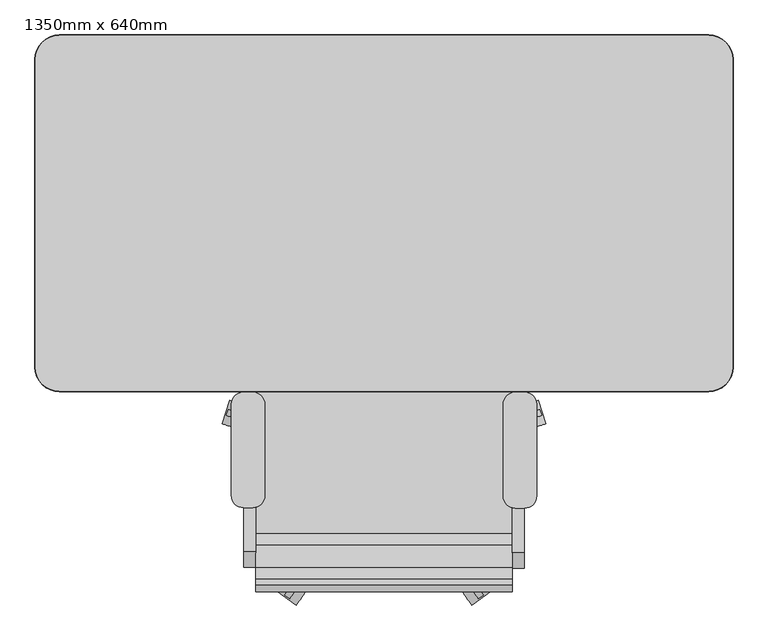
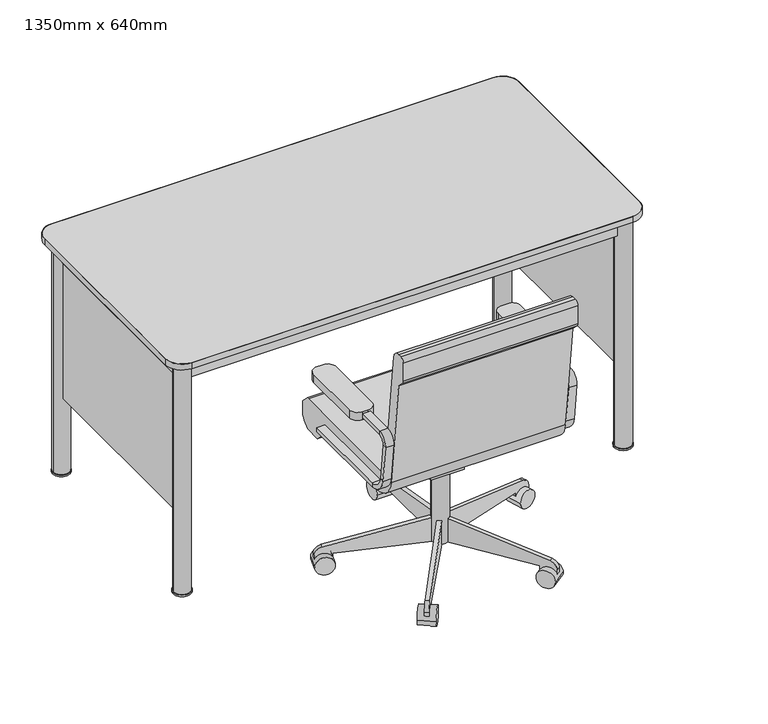
"""IFC4 building model written with IfcOpenShell, lengths in millimetres: furniture geometry, 1350mm x 640mm."""

from ifc_helpers import new_model, si_unit, point, frame, frame_2d, origin, origin_with_axes, place, context, project, spatial, polyline, circle_curve, trimmed, segment, composite_curve, outline, extrude, source, transform, mapped, element, save
from ifc_brep_helpers import plane_surface, cylinder_surface, revolved_surface, advanced_brep


def furniture_1350mm_x_640mm_878df250(model_context):
    return source(origin(), model_context, "Body", "SolidModel", [
        extrude(outline(composite_curve([segment(polyline([(292.1, -643.1487065), (273.05, -643.1487065)]), True, "CONTINUOUS"), segment(trimmed(circle_curve(frame_2d((273.05, -617.7487065)), 25.4), [point((273.05, -643.1487065))], [point((247.65, -617.7487065))], False, "CARTESIAN"), True, "CONTINUOUS"), segment(polyline([(247.65, -617.7487065), (247.65, -427.3139925)]), True, "CONTINUOUS"), segment(trimmed(circle_curve(frame_2d((273.05, -427.3139925)), 25.4), [point((247.65, -427.3139925))], [point((273.05, -401.9139925))], False, "CARTESIAN"), True, "CONTINUOUS"), segment(polyline([(273.05, -401.9139925), (292.1, -401.9139925)]), True, "CONTINUOUS"), segment(trimmed(circle_curve(frame_2d((292.1, -427.3139925)), 25.4), [point((292.1, -401.9139925))], [point((317.5, -427.3139925))], False, "CARTESIAN"), True, "CONTINUOUS"), segment(polyline([(317.5, -427.3139925), (317.5, -617.7487065)]), True, "CONTINUOUS"), segment(trimmed(circle_curve(frame_2d((292.1, -617.7487065)), 25.4), [point((317.5, -617.7487065))], [point((292.1, -643.1487065))], False, "CARTESIAN"), True, "CONTINUOUS")], self_intersect=False)), frame((0.0, 0.0, 596.9), z_axis=(0.0, 0.0, 1.0), x_axis=(1.0, 0.0, 0.0)), (0.0, 0.0, 1.0), 25.4),
        extrude(outline(composite_curve([segment(polyline([(-273.05, -642.1035), (-292.1, -642.1035)]), True, "CONTINUOUS"), segment(trimmed(circle_curve(frame_2d((-292.1, -616.7035)), 25.4), [point((-292.1, -642.1035))], [point((-317.5, -616.7035))], False, "CARTESIAN"), True, "CONTINUOUS"), segment(polyline([(-317.5, -616.7035), (-317.5, -427.3139925)]), True, "CONTINUOUS"), segment(trimmed(circle_curve(frame_2d((-292.1, -427.3139925)), 25.4), [point((-317.5, -427.3139925))], [point((-292.1, -401.9139925))], False, "CARTESIAN"), True, "CONTINUOUS"), segment(polyline([(-292.1, -401.9139925), (-273.05, -401.9139925)]), True, "CONTINUOUS"), segment(trimmed(circle_curve(frame_2d((-273.05, -427.3139925)), 25.4), [point((-273.05, -401.9139925))], [point((-247.65, -427.3139925))], False, "CARTESIAN"), True, "CONTINUOUS"), segment(polyline([(-247.65, -427.3139925), (-247.65, -616.7035)]), True, "CONTINUOUS"), segment(trimmed(circle_curve(frame_2d((-273.05, -616.7035)), 25.4), [point((-247.65, -616.7035))], [point((-273.05, -642.1035))], False, "CARTESIAN"), True, "CONTINUOUS")], self_intersect=False)), frame((0.0, 0.0, 596.9), z_axis=(0.0, 0.0, 1.0), x_axis=(1.0, 0.0, 0.0)), (0.0, 0.0, 1.0), 25.4),
        advanced_brep(
        [(-292.1, -401.9139925, 412.75), (-292.1, -401.9139925, 425.45), (-266.7, -401.9139925, 425.45), (-266.7, -401.9139925, 412.75), (-292.1, -695.1847667, 412.75), (-292.1, -695.1847667, 425.45), (-266.7, -695.1847667, 425.45), (-266.7, -695.1847667, 412.75), (-292.1, -739.3303111, 464.7064065), (-292.1, -751.9433237, 463.2225227), (-266.7, -739.3303111, 464.7064065), (-266.7, -751.9433237, 463.2225227), (-292.1, -765.7395317, 580.4902904), (-292.1, -753.126519, 581.9741742), (-266.7, -753.126519, 581.9741742), (-266.7, -765.7395317, 580.4902904), (-292.1, -734.207, 603.25), (-292.1, -734.207, 615.95), (-266.7, -734.207, 603.25), (-266.7, -734.207, 615.95), (-292.1, -550.0, 615.95), (-266.7, -550.0, 615.95), (-266.7, -550.0, 603.25), (-292.1, -550.0, 603.25)],
        [
            (0, 1),
            (1, 2),
            (2, 3),
            (3, 0),
            (0, 4),
            (4, 5),
            (5, 1),
            (5, 6),
            (6, 2),
            (6, 7),
            (7, 3),
            (7, 4),
            (8, 5, circle_curve(frame((-292.1, -695.1847667, 469.9), z_axis=(1.0, 0.0, 0.0), x_axis=(0.0, 0.0, -1.0)), 44.45)),
            (4, 9, circle_curve(frame((-292.1, -695.1847667, 469.9), z_axis=(-1.0, 0.0, 0.0), x_axis=(0.0, 0.0, -1.0)), 57.15)),
            (9, 8),
            (10, 6, circle_curve(frame((-266.7, -695.1847667, 469.9), z_axis=(1.0, 0.0, 0.0), x_axis=(0.0, 0.0, -1.0)), 44.45)),
            (8, 10),
            (11, 7, circle_curve(frame((-266.7, -695.1847667, 469.9), z_axis=(1.0, 0.0, 0.0), x_axis=(0.0, 0.0, -1.0)), 57.15)),
            (10, 11),
            (11, 9),
            (9, 12),
            (12, 13),
            (13, 8),
            (13, 14),
            (14, 10),
            (14, 15),
            (15, 11),
            (15, 12),
            (16, 13, circle_curve(frame((-292.1, -734.207, 584.2), z_axis=(1.0, 0.0, 0.0), x_axis=(0.0, -0.9931506043228768, -0.11684124756739202)), 19.05)),
            (12, 17, circle_curve(frame((-292.1, -734.207, 584.2), z_axis=(-1.0, 0.0, 0.0), x_axis=(0.0, -0.9931506043228768, -0.11684124756739202)), 31.75)),
            (17, 16),
            (18, 14, circle_curve(frame((-266.7, -734.207, 584.2), z_axis=(1.0, 0.0, 0.0), x_axis=(0.0, -0.9931506043228768, -0.11684124756739202)), 19.05)),
            (16, 18),
            (19, 15, circle_curve(frame((-266.7, -734.207, 584.2), z_axis=(1.0, 0.0, 0.0), x_axis=(0.0, -0.9931506043228768, -0.11684124756739202)), 31.75)),
            (18, 19),
            (19, 17),
            (20, 21),
            (21, 22),
            (22, 23),
            (23, 20),
            (17, 20),
            (23, 16),
            (22, 18),
            (21, 19),
        ],
        [
            plane_surface(frame((-293.5990317, -401.9139925, 419.1), z_axis=(0.0, 1.0, 0.0), x_axis=(0.0, 0.0, -1.0))),
            plane_surface(frame((-292.1, -401.9139925, 412.75), z_axis=(-1.0, 0.0, 0.0), x_axis=(0.0, -1.0, 0.0))),
            plane_surface(frame((-292.1, -401.9139925, 425.45), z_axis=(0.0, 0.0, 1.0), x_axis=(0.0, -1.0, 0.0))),
            plane_surface(frame((-266.7, -401.9139925, 425.45), z_axis=(1.0, 0.0, 0.0), x_axis=(0.0, -1.0, 0.0))),
            plane_surface(frame((-266.7, -401.9139925, 412.75), z_axis=(0.0, 0.0, -1.0), x_axis=(0.0, -1.0, 0.0))),
            plane_surface(frame((-292.1, -695.1847667, 469.9), z_axis=(-1.0, 0.0, 0.0), x_axis=(0.0, 0.0, -1.0))),
            revolved_surface(polyline([(-292.1, -695.1847667, 425.45), (-266.7, -695.1847667, 425.45)]), (-279.4, -695.1847667, 469.9), (-1.0, 0.0, 0.0)),
            plane_surface(frame((-266.7, -695.1847667, 469.9), z_axis=(1.0, 0.0, 0.0), x_axis=(0.0, 0.0, -1.0))),
            cylinder_surface(frame((-279.4, -695.1847667, 469.9), z_axis=(-1.0, 0.0, 0.0), x_axis=(0.0, 0.0, -1.0)), 57.15),
            plane_surface(frame((-292.1, -751.9433237, 463.2225227), z_axis=(-1.0, 0.0, 0.0), x_axis=(0.0, -0.1168412475673856, 0.9931506043228776))),
            plane_surface(frame((-292.1, -739.3303111, 464.7064065), z_axis=(0.0, 0.9931506043228776, 0.1168412475673856), x_axis=(0.0, -0.1168412475673856, 0.9931506043228776))),
            plane_surface(frame((-266.7, -739.3303111, 464.7064065), z_axis=(1.0, 0.0, 0.0), x_axis=(0.0, -0.1168412475673856, 0.9931506043228776))),
            plane_surface(frame((-266.7, -751.9433237, 463.2225227), z_axis=(0.0, -0.9931506043228776, -0.1168412475673856), x_axis=(0.0, -0.1168412475673856, 0.9931506043228776))),
            plane_surface(frame((-292.1, -734.207, 584.2), z_axis=(-1.0, 0.0, 0.0), x_axis=(0.0, -0.9931506043228768, -0.11684124756739202))),
            revolved_surface(polyline([(-292.1, -753.1265190123509, 581.9741742338413), (-266.7, -753.1265190123509, 581.9741742338413)]), (-279.4, -734.207, 584.2), (-1.0, 0.0, 0.0)),
            plane_surface(frame((-266.7, -734.207, 584.2), z_axis=(1.0, 0.0, 0.0), x_axis=(0.0, -0.9931506043228768, -0.11684124756739202))),
            cylinder_surface(frame((-279.4, -734.207, 584.2), z_axis=(-1.0, 0.0, 0.0), x_axis=(0.0, -0.9931506043228768, -0.11684124756739202)), 31.75),
            plane_surface(frame((-293.5990317, -550.0, 609.6), z_axis=(0.0, 1.0, 0.0), x_axis=(0.0, 0.0, 1.0))),
            plane_surface(frame((-292.1, -734.207, 615.95), z_axis=(-1.0, 0.0, 0.0), x_axis=(0.0, 1.0, 0.0))),
            plane_surface(frame((-292.1, -734.207, 603.25), z_axis=(0.0, 0.0, -1.0), x_axis=(0.0, 1.0, 0.0))),
            plane_surface(frame((-266.7, -734.207, 603.25), z_axis=(1.0, 0.0, 0.0), x_axis=(0.0, 1.0, 0.0))),
            plane_surface(frame((-266.7, -734.207, 615.95), z_axis=(0.0, 0.0, 1.0), x_axis=(0.0, 1.0, 0.0))),
        ],
        [
            (0, [[1, 2, 3, 4]]),
            (1, [[-1, 5, 6, 7]]),
            (2, [[-2, -7, 8, 9]]),
            (3, [[-3, -9, 10, 11]]),
            (4, [[-4, -11, 12, -5]]),
            (5, [[13, -6, 14, 15]]),
            (6, [[16, -8, -13, 17]]),
            (7, [[18, -10, -16, 19]]),
            (8, [[-14, -12, -18, 20]]),
            (9, [[-15, 21, 22, 23]]),
            (10, [[-17, -23, 24, 25]]),
            (11, [[-19, -25, 26, 27]]),
            (12, [[-20, -27, 28, -21]]),
            (13, [[29, -22, 30, 31]]),
            (14, [[32, -24, -29, 33]]),
            (15, [[34, -26, -32, 35]]),
            (16, [[-30, -28, -34, 36]]),
            (17, [[37, 38, 39, 40]]),
            (18, [[-31, 41, -40, 42]]),
            (19, [[-33, -42, -39, 43]]),
            (20, [[-35, -43, -38, 44]]),
            (21, [[-36, -44, -37, -41]]),
        ],
    ),
        advanced_brep(
        [(292.1, -401.9139925, 425.45), (292.1, -401.9139925, 412.75), (266.7, -401.9139925, 412.75), (266.7, -401.9139925, 425.45), (292.1, -697.2751797, 425.45), (292.1, -697.2751797, 412.75), (266.7, -697.2751797, 412.75), (266.7, -697.2751797, 425.45), (292.1, -754.0337367, 463.2225227), (292.1, -741.420724, 464.7064065), (266.7, -754.0337367, 463.2225227), (266.7, -741.420724, 464.7064065), (292.1, -755.216932, 581.9741742), (292.1, -767.8299447, 580.4902904), (266.7, -767.8299447, 580.4902904), (266.7, -755.216932, 581.9741742), (292.1, -736.297413, 615.95), (292.1, -736.297413, 603.25), (266.7, -736.297413, 615.95), (266.7, -736.297413, 603.25), (292.1, -550.0, 603.25), (266.7, -550.0, 603.25), (266.7, -550.0, 615.95), (292.1, -550.0, 615.95)],
        [
            (0, 1),
            (1, 2),
            (2, 3),
            (3, 0),
            (0, 4),
            (4, 5),
            (5, 1),
            (5, 6),
            (6, 2),
            (6, 7),
            (7, 3),
            (7, 4),
            (8, 5, circle_curve(frame((292.1, -697.2751797, 469.9), z_axis=(1.0, 0.0, 0.0), x_axis=(0.0, 0.0, -1.0)), 57.15)),
            (4, 9, circle_curve(frame((292.1, -697.2751797, 469.9), z_axis=(-1.0, 0.0, 0.0), x_axis=(0.0, 0.0, -1.0)), 44.45)),
            (9, 8),
            (10, 6, circle_curve(frame((266.7, -697.2751797, 469.9), z_axis=(1.0, 0.0, 0.0), x_axis=(0.0, 0.0, -1.0)), 57.15)),
            (8, 10),
            (11, 7, circle_curve(frame((266.7, -697.2751797, 469.9), z_axis=(1.0, 0.0, 0.0), x_axis=(0.0, 0.0, -1.0)), 44.45)),
            (10, 11),
            (11, 9),
            (9, 12),
            (12, 13),
            (13, 8),
            (13, 14),
            (14, 10),
            (14, 15),
            (15, 11),
            (15, 12),
            (16, 13, circle_curve(frame((292.1, -736.297413, 584.2), z_axis=(1.0, 0.0, 0.0), x_axis=(0.0, -0.9931506043228767, -0.1168412475673929)), 31.75)),
            (12, 17, circle_curve(frame((292.1, -736.297413, 584.2), z_axis=(-1.0, 0.0, 0.0), x_axis=(0.0, -0.9931506043228767, -0.1168412475673929)), 19.05)),
            (17, 16),
            (18, 14, circle_curve(frame((266.7, -736.297413, 584.2), z_axis=(1.0, 0.0, 0.0), x_axis=(0.0, -0.9931506043228767, -0.1168412475673929)), 31.75)),
            (16, 18),
            (19, 15, circle_curve(frame((266.7, -736.297413, 584.2), z_axis=(1.0, 0.0, 0.0), x_axis=(0.0, -0.9931506043228767, -0.1168412475673929)), 19.05)),
            (18, 19),
            (19, 17),
            (20, 21),
            (21, 22),
            (22, 23),
            (23, 20),
            (17, 20),
            (23, 16),
            (22, 18),
            (21, 19),
        ],
        [
            plane_surface(frame((265.2009683, -401.9139925, 419.1), z_axis=(0.0, 1.0, 0.0), x_axis=(0.0, 0.0, -1.0))),
            plane_surface(frame((292.1, -401.9139925, 425.45), z_axis=(1.0, 0.0, 0.0), x_axis=(0.0, -1.0, 0.0))),
            plane_surface(frame((292.1, -401.9139925, 412.75), z_axis=(0.0, 0.0, -1.0), x_axis=(0.0, -1.0, 0.0))),
            plane_surface(frame((266.7, -401.9139925, 412.75), z_axis=(-1.0, 0.0, 0.0), x_axis=(0.0, -1.0, 0.0))),
            plane_surface(frame((266.7, -401.9139925, 425.45), z_axis=(0.0, 0.0, 1.0), x_axis=(0.0, -1.0, 0.0))),
            plane_surface(frame((292.1, -697.2751797, 469.9), z_axis=(1.0, 0.0, 0.0), x_axis=(0.0, 0.0, -1.0))),
            cylinder_surface(frame((279.4, -697.2751797, 469.9), z_axis=(-1.0, 0.0, 0.0), x_axis=(0.0, 0.0, -1.0)), 57.15),
            plane_surface(frame((266.7, -697.2751797, 469.9), z_axis=(-1.0, 0.0, 0.0), x_axis=(0.0, 0.0, -1.0))),
            revolved_surface(polyline([(266.7, -697.2751797, 425.45), (292.1, -697.2751797, 425.45)]), (279.4, -697.2751797, 469.9), (-1.0, 0.0, 0.0)),
            plane_surface(frame((292.1, -741.420724, 464.7064065), z_axis=(1.0, 0.0, 0.0), x_axis=(0.0, -0.11684124756738626, 0.9931506043228775))),
            plane_surface(frame((292.1, -754.0337367, 463.2225227), z_axis=(0.0, -0.9931506043228775, -0.11684124756738655), x_axis=(0.0, -0.11684124756738655, 0.9931506043228775))),
            plane_surface(frame((266.7, -754.0337367, 463.2225227), z_axis=(-1.0, 0.0, 0.0), x_axis=(0.0, -0.11684124756738626, 0.9931506043228775))),
            plane_surface(frame((266.7, -741.420724, 464.7064065), z_axis=(0.0, 0.9931506043228775, 0.11684124756738626), x_axis=(0.0, -0.11684124756738626, 0.9931506043228775))),
            plane_surface(frame((292.1, -736.297413, 584.2), z_axis=(1.0, 0.0, 0.0), x_axis=(0.0, -0.9931506043228767, -0.1168412475673929))),
            cylinder_surface(frame((279.4, -736.297413, 584.2), z_axis=(-1.0, 0.0, 0.0), x_axis=(0.0, -0.9931506043228767, -0.1168412475673929)), 31.75),
            plane_surface(frame((266.7, -736.297413, 584.2), z_axis=(-1.0, 0.0, 0.0), x_axis=(0.0, -0.9931506043228767, -0.1168412475673929))),
            revolved_surface(polyline([(266.7, -755.2169320123508, 581.9741742338412), (292.1, -755.2169320123508, 581.9741742338412)]), (279.4, -736.297413, 584.2), (-1.0, 0.0, 0.0)),
            plane_surface(frame((265.2009683, -550.0, 609.6), z_axis=(0.0, 1.0, 0.0), x_axis=(0.0, 0.0, 1.0))),
            plane_surface(frame((292.1, -736.297413, 603.25), z_axis=(1.0, 0.0, 0.0), x_axis=(0.0, 1.0, 0.0))),
            plane_surface(frame((292.1, -736.297413, 615.95), z_axis=(0.0, 0.0, 1.0), x_axis=(0.0, 1.0, 0.0))),
            plane_surface(frame((266.7, -736.297413, 615.95), z_axis=(-1.0, 0.0, 0.0), x_axis=(0.0, 1.0, 0.0))),
            plane_surface(frame((266.7, -736.297413, 603.25), z_axis=(0.0, 0.0, -1.0), x_axis=(0.0, 1.0, 0.0))),
        ],
        [
            (0, [[1, 2, 3, 4]]),
            (1, [[-1, 5, 6, 7]]),
            (2, [[-2, -7, 8, 9]]),
            (3, [[-3, -9, 10, 11]]),
            (4, [[-4, -11, 12, -5]]),
            (5, [[13, -6, 14, 15]]),
            (6, [[16, -8, -13, 17]]),
            (7, [[18, -10, -16, 19]]),
            (8, [[-14, -12, -18, 20]]),
            (9, [[-15, 21, 22, 23]]),
            (10, [[-17, -23, 24, 25]]),
            (11, [[-19, -25, 26, 27]]),
            (12, [[-20, -27, 28, -21]]),
            (13, [[29, -22, 30, 31]]),
            (14, [[32, -24, -29, 33]]),
            (15, [[34, -26, -32, 35]]),
            (16, [[-30, -28, -34, 36]]),
            (17, [[37, 38, 39, 40]]),
            (18, [[-31, 41, -40, 42]]),
            (19, [[-33, -42, -39, 43]]),
            (20, [[-35, -43, -38, 44]]),
            (21, [[-36, -44, -37, -41]]),
        ],
    ),
        extrude(outline(composite_curve([segment(trimmed(circle_curve(frame_2d((0.0, -550.0)), 25.4), [point((-25.4, -550.0))], [point((25.4, -550.0))], False, "CARTESIAN"), True, "CONTINUOUS"), segment(trimmed(circle_curve(frame_2d((0.0, -550.0)), 25.4), [point((25.4, -550.0))], [point((-25.4, -550.0))], False, "CARTESIAN"), True, "CONTINUOUS")], self_intersect=False)), frame((0.0, 0.0, 53.5835944), z_axis=(0.0, 0.0, 1.0), x_axis=(1.0, 0.0, 0.0)), (0.0, 0.0, 1.0), 330.5914056),
        extrude(outline(composite_curve([segment(trimmed(circle_curve(frame_2d((0.0, -28.2002727)), 28.2002727), [point((0.0, -56.4005454))], [point((0.0, 0.0))], False, "CARTESIAN"), True, "CONTINUOUS"), segment(trimmed(circle_curve(frame_2d((0.0, -28.2002727)), 28.2002727), [point((0.0, 0.0))], [point((0.0, -56.4005454))], False, "CARTESIAN"), True, "CONTINUOUS")], self_intersect=False)), frame((336.6295287, -467.3295763, 28.1835944), z_axis=(-0.3090169943749423, 0.9510565162951553, 0.0), x_axis=(0.0, 0.0, 1.0)), (0.0, 0.0, 1.0), 50.8),
        extrude(outline(composite_curve([segment(polyline([(-25.4, 0.0), (0.0, 0.0), (0.0, -50.8000001), (-24.303053, -50.8000001)]), True, "CONTINUOUS"), segment(trimmed(circle_curve(frame_2d((-24.303053, -25.4)), 25.4), [point((-24.303053, -50.8000001))], [point((-49.3171699, -29.8106637))], False, "CARTESIAN"), True, "CONTINUOUS"), segment(polyline([(-49.3171699, -29.8106637), (-101.6, 266.7), (-101.6, 292.1), (-25.4, 292.1), (-25.4, 0.0)]), True, "CONTINUOUS")], self_intersect=False)), frame((279.7658663, -465.7753448, 28.1835944), z_axis=(-0.3090169943749423, 0.9510565162951553, 0.0), x_axis=(0.0, 0.0, -1.0)), (0.0, 0.0, 1.0), 12.7),
        extrude(outline(composite_curve([segment(trimmed(circle_curve(frame_2d((0.0, -28.2002728)), 28.2002727), [point((0.0, -56.4005455))], [point((0.0, 0.0))], False, "CARTESIAN"), True, "CONTINUOUS"), segment(trimmed(circle_curve(frame_2d((0.0, -28.2002728)), 28.2002727), [point((0.0, 0.0))], [point((0.0, -56.4005455))], False, "CARTESIAN"), True, "CONTINUOUS")], self_intersect=False)), frame((182.6484904, -844.607141, 28.1835944), z_axis=(0.8090169943749499, 0.5877852522924699, 0.0), x_axis=(0.0, 0.0, 1.0)), (0.0, 0.0, 1.0), 50.8),
        extrude(outline(composite_curve([segment(polyline([(-25.4, 0.0), (0.0, 0.0), (0.0, -50.8), (-24.303053, -50.8)]), True, "CONTINUOUS"), segment(trimmed(circle_curve(frame_2d((-24.303053, -25.4)), 25.4), [point((-24.303053, -50.8))], [point((-49.3171699, -29.8106638))], False, "CARTESIAN"), True, "CONTINUOUS"), segment(polyline([(-49.3171699, -29.8106638), (-101.6, 266.7), (-101.6, 292.1), (-25.4, 292.1), (-25.4, 0.0)]), True, "CONTINUOUS")], self_intersect=False)), frame((166.5548143, -790.0463004, 28.1835944), z_axis=(0.8090169943749499, 0.5877852522924699, 0.0), x_axis=(0.0, 0.0, -1.0)), (0.0, 0.0, 1.0), 12.7),
        extrude(outline(composite_curve([segment(trimmed(circle_curve(frame_2d((0.0, -28.2002728)), 28.2002727), [point((0.0, -56.4005455))], [point((0.0, 0.0))], False, "CARTESIAN"), True, "CONTINUOUS"), segment(trimmed(circle_curve(frame_2d((0.0, -28.2002728)), 28.2002727), [point((0.0, 0.0))], [point((0.0, -56.4005455))], False, "CARTESIAN"), True, "CONTINUOUS")], self_intersect=False)), frame((-182.6484904, -844.607141, 28.1835944), z_axis=(-0.8090169943749458, 0.5877852522924754, 0.0), x_axis=(0.0, 0.0, -1.0)), (0.0, 0.0, 1.0), 50.8),
        extrude(outline(composite_curve([segment(polyline([(25.4, 0.0), (25.4, 292.1), (101.6, 292.1), (101.6, 266.7), (49.3171699, -29.8106638)]), True, "CONTINUOUS"), segment(trimmed(circle_curve(frame_2d((24.303053, -25.4)), 25.4), [point((49.3171699, -29.8106638))], [point((24.303053, -50.8))], False, "CARTESIAN"), True, "CONTINUOUS"), segment(polyline([(24.303053, -50.8), (0.0, -50.8), (0.0, 0.0), (25.4, 0.0)]), True, "CONTINUOUS")], self_intersect=False)), frame((-166.5548143, -790.0463004, 28.1835944), z_axis=(-0.8090169943749459, 0.5877852522924754, 0.0), x_axis=(0.0, 0.0, 1.0)), (0.0, 0.0, 1.0), 12.7),
        extrude(outline(composite_curve([segment(trimmed(circle_curve(frame_2d((0.0, -28.2002727)), 28.2002727), [point((0.0, -56.4005454))], [point((0.0, 0.0))], False, "CARTESIAN"), True, "CONTINUOUS"), segment(trimmed(circle_curve(frame_2d((0.0, -28.2002727)), 28.2002727), [point((0.0, 0.0))], [point((0.0, -56.4005454))], False, "CARTESIAN"), True, "CONTINUOUS")], self_intersect=False)), frame((-336.6295287, -467.3295763, 28.1835944), z_axis=(0.3090169943749487, 0.9510565162951532, 0.0), x_axis=(0.0, 0.0, -1.0)), (0.0, 0.0, 1.0), 50.8),
        extrude(outline(composite_curve([segment(polyline([(25.4, 0.0), (25.4, 292.1), (101.6, 292.1), (101.6, 266.7), (49.3171699, -29.8106637)]), True, "CONTINUOUS"), segment(trimmed(circle_curve(frame_2d((24.303053, -25.4)), 25.4), [point((49.3171699, -29.8106637))], [point((24.303053, -50.8000001))], False, "CARTESIAN"), True, "CONTINUOUS"), segment(polyline([(24.303053, -50.8000001), (0.0, -50.8000001), (0.0, 0.0), (25.4, 0.0)]), True, "CONTINUOUS")], self_intersect=False)), frame((-279.7658663, -465.7753448, 28.1835944), z_axis=(0.3090169943749487, 0.9510565162951532, 0.0), x_axis=(0.0, 0.0, 1.0)), (0.0, 0.0, 1.0), 12.7),
        extrude(outline(composite_curve([segment(trimmed(circle_curve(frame_2d((-232.5, 28.1835944)), 28.2002727), [point((-260.7002727, 28.1835944))], [point((-204.2997273, 28.1835944))], False, "CARTESIAN"), True, "CONTINUOUS"), segment(trimmed(circle_curve(frame_2d((-232.5, 28.1835944)), 28.2002727), [point((-204.2997273, 28.1835944))], [point((-260.7002727, 28.1835944))], False, "CARTESIAN"), True, "CONTINUOUS")], self_intersect=False)), frame((-25.4, 0.0, 0.0), z_axis=(1.0, 0.0, 0.0), x_axis=(0.0, 1.0, 0.0)), (0.0, 0.0, 1.0), 50.8),
        extrude(outline(composite_curve([segment(polyline([(-257.9, 53.5835944), (-550.0, 53.5835944), (-550.0, 129.7835944), (-524.6, 129.7835944), (-228.0893363, 77.5007643)]), True, "CONTINUOUS"), segment(trimmed(circle_curve(frame_2d((-232.5, 52.4866474)), 25.4), [point((-228.0893363, 77.5007643))], [point((-207.1, 52.4866474))], False, "CARTESIAN"), True, "CONTINUOUS"), segment(polyline([(-207.1, 52.4866474), (-207.1, 28.1835944), (-257.9, 28.1835944), (-257.9, 53.5835944)]), True, "CONTINUOUS")], self_intersect=False)), frame((-6.35, 0.0, 0.0), z_axis=(1.0, 0.0, 0.0), x_axis=(0.0, 1.0, 0.0)), (0.0, 0.0, 1.0), 12.7),
        extrude(outline(polyline([(-499.2, 383.7835944), (-499.2, 371.0835944), (-550.0, 283.0954134), (-588.1, 283.0954134), (-588.1, 383.7835944), (-499.2, 383.7835944)])), frame((-50.8, 0.0, 0.0), z_axis=(1.0, 0.0, 0.0), x_axis=(0.0, 1.0, 0.0)), (0.0, 0.0, 1.0), 101.6),
        extrude(outline(composite_curve([segment(polyline([(-695.1509471, 457.2), (-313.9356716, 457.2)]), True, "CONTINUOUS"), segment(trimmed(circle_curve(frame_2d((-313.9356716, 444.5)), 12.7), [point((-313.9356716, 457.2))], [point((-304.9854716, 453.510212))], False, "CARTESIAN"), True, "CONTINUOUS"), segment(polyline([(-304.9854716, 453.510212), (-287.0498, 435.6939999)]), True, "CONTINUOUS"), segment(trimmed(circle_curve(frame_2d((-296.0, 426.6837879)), 12.7), [point((-287.0498, 435.6939999))], [point((-283.3, 426.6837879))], False, "CARTESIAN"), True, "CONTINUOUS"), segment(polyline([(-283.3, 426.6837879), (-283.3, 391.6405184)]), True, "CONTINUOUS"), segment(trimmed(circle_curve(frame_2d((-308.7, 391.6405184)), 25.4), [point((-283.3, 391.6405184))], [point((-290.679576, 373.7401184))], False, "CARTESIAN"), True, "CONTINUOUS"), segment(polyline([(-290.679576, 373.7401184), (-308.6988732, 355.6), (-359.4988732, 355.6), (-387.8714414, 383.7835944), (-676.0548994, 383.7835944)]), True, "CONTINUOUS"), segment(trimmed(circle_curve(frame_2d((-676.0548994, 459.9835944)), 76.2), [point((-676.0548994, 383.7835944))], [point((-751.7329755, 451.0802913))], False, "CARTESIAN"), True, "CONTINUOUS"), segment(polyline([(-751.7329755, 451.0802913), (-791.3, 787.4), (-812.9802561, 809.0802561)]), True, "CONTINUOUS"), segment(trimmed(circle_curve(frame_2d((-804.0, 818.0605122)), 12.7), [point((-812.9802561, 809.0802561))], [point((-816.7, 818.0605122))], False, "CARTESIAN"), True, "CONTINUOUS"), segment(polyline([(-816.7, 818.0605122), (-816.7, 876.3)]), True, "CONTINUOUS"), segment(trimmed(circle_curve(frame_2d((-804.0, 876.3)), 12.7), [point((-816.7, 876.3))], [point((-804.0, 889.0))], False, "CARTESIAN"), True, "CONTINUOUS"), segment(polyline([(-804.0, 889.0), (-791.1248255, 889.0)]), True, "CONTINUOUS"), segment(trimmed(circle_curve(frame_2d((-791.1248255, 863.6)), 25.4), [point((-791.1248255, 889.0))], [point((-765.8988002, 866.5677677))], False, "CARTESIAN"), True, "CONTINUOUS"), segment(polyline([(-765.8988002, 866.5677677), (-720.3769725, 479.6322323)]), True, "CONTINUOUS"), segment(trimmed(circle_curve(frame_2d((-695.1509471, 482.6)), 25.4), [point((-720.3769725, 479.6322323))], [point((-695.1509471, 457.2))], True, "CARTESIAN"), True, "CONTINUOUS")], self_intersect=False)), frame((-266.7, 0.0, 0.0), z_axis=(1.0, 0.0, 0.0), x_axis=(0.0, 1.0, 0.0)), (0.0, 0.0, 1.0), 533.4),
        extrude(outline(composite_curve([segment(polyline([(726.0, 290.0), (726.0, -350.0)]), True, "CONTINUOUS"), segment(trimmed(circle_curve(frame_2d((675.0, -350.0)), 51.0), [point((726.0, -350.0))], [point((675.0, -401.0))], False, "CARTESIAN"), True, "CONTINUOUS"), segment(polyline([(675.0, -401.0), (-675.0, -401.0)]), True, "CONTINUOUS"), segment(trimmed(circle_curve(frame_2d((-675.0, -350.0)), 51.0), [point((-675.0, -401.0))], [point((-726.0, -350.0))], False, "CARTESIAN"), True, "CONTINUOUS"), segment(polyline([(-726.0, -350.0), (-726.0, 290.0)]), True, "CONTINUOUS"), segment(trimmed(circle_curve(frame_2d((-675.0, 290.0)), 51.0), [point((-726.0, 290.0))], [point((-675.0, 341.0))], False, "CARTESIAN"), True, "CONTINUOUS"), segment(polyline([(-675.0, 341.0), (675.0, 341.0)]), True, "CONTINUOUS"), segment(trimmed(circle_curve(frame_2d((675.0, 290.0)), 51.0), [point((675.0, 341.0))], [point((726.0, 290.0))], False, "CARTESIAN"), True, "CONTINUOUS")], self_intersect=False), holes=[composite_curve([segment(polyline([(-675.0, -400.0), (675.0, -400.0)]), True, "CONTINUOUS"), segment(trimmed(circle_curve(frame_2d((675.0, -350.0)), 50.0), [point((675.0, -400.0))], [point((725.0, -350.0))], True, "CARTESIAN"), True, "CONTINUOUS"), segment(polyline([(725.0, -350.0), (725.0, 290.0)]), True, "CONTINUOUS"), segment(trimmed(circle_curve(frame_2d((675.0, 290.0)), 50.0), [point((725.0, 290.0))], [point((675.0, 340.0))], True, "CARTESIAN"), True, "CONTINUOUS"), segment(polyline([(675.0, 340.0), (-675.0, 340.0)]), True, "CONTINUOUS"), segment(trimmed(circle_curve(frame_2d((-675.0, 290.0)), 50.0), [point((-675.0, 340.0))], [point((-725.0, 290.0))], True, "CARTESIAN"), True, "CONTINUOUS"), segment(polyline([(-725.0, 290.0), (-725.0, -350.0)]), True, "CONTINUOUS"), segment(trimmed(circle_curve(frame_2d((-675.0, -350.0)), 50.0), [point((-725.0, -350.0))], [point((-675.0, -400.0))], True, "CARTESIAN"), True, "CONTINUOUS")], self_intersect=False)]), frame((0.0, 0.0, 750.0), z_axis=(0.0, 0.0, 1.0), x_axis=(1.0, 0.0, 0.0)), (0.0, 0.0, 1.0), 19.0),
        extrude(outline(composite_curve([segment(trimmed(circle_curve(frame_2d((-675.0, 290.0)), 27.0), [point((-702.0, 290.0))], [point((-648.0, 290.0))], False, "CARTESIAN"), True, "CONTINUOUS"), segment(trimmed(circle_curve(frame_2d((-675.0, 290.0)), 27.0), [point((-648.0, 290.0))], [point((-702.0, 290.0))], False, "CARTESIAN"), True, "CONTINUOUS")], self_intersect=False)), origin_with_axes(), (0.0, 0.0, 1.0), 5.0),
        extrude(outline(composite_curve([segment(trimmed(circle_curve(frame_2d((-675.0, -350.0)), 27.0), [point((-702.0, -350.0))], [point((-648.0, -350.0))], False, "CARTESIAN"), True, "CONTINUOUS"), segment(trimmed(circle_curve(frame_2d((-675.0, -350.0)), 27.0), [point((-648.0, -350.0))], [point((-702.0, -350.0))], False, "CARTESIAN"), True, "CONTINUOUS")], self_intersect=False)), origin_with_axes(), (0.0, 0.0, 1.0), 5.0),
        extrude(outline(composite_curve([segment(trimmed(circle_curve(frame_2d((675.0, -350.0)), 27.0), [point((648.0, -350.0))], [point((702.0, -350.0))], False, "CARTESIAN"), True, "CONTINUOUS"), segment(trimmed(circle_curve(frame_2d((675.0, -350.0)), 27.0), [point((702.0, -350.0))], [point((648.0, -350.0))], False, "CARTESIAN"), True, "CONTINUOUS")], self_intersect=False)), origin_with_axes(), (0.0, 0.0, 1.0), 5.0),
        extrude(outline(composite_curve([segment(trimmed(circle_curve(frame_2d((675.0, 290.0)), 27.0), [point((648.0, 290.0))], [point((702.0, 290.0))], False, "CARTESIAN"), True, "CONTINUOUS"), segment(trimmed(circle_curve(frame_2d((675.0, 290.0)), 27.0), [point((702.0, 290.0))], [point((648.0, 290.0))], False, "CARTESIAN"), True, "CONTINUOUS")], self_intersect=False)), origin_with_axes(), (0.0, 0.0, 1.0), 5.0),
        extrude(outline(composite_curve([segment(trimmed(circle_curve(frame_2d((-675.0, -350.0)), 25.0), [point((-667.5, -326.15152))], [point((-682.5, -326.15152))], True, "CARTESIAN"), True, "CONTINUOUS"), segment(polyline([(-682.5, -326.15152), (-682.5, 266.15152)]), True, "CONTINUOUS"), segment(trimmed(circle_curve(frame_2d((-675.0, 290.0)), 25.0), [point((-682.5, 266.15152))], [point((-667.5, 266.15152))], True, "CARTESIAN"), True, "CONTINUOUS"), segment(polyline([(-667.5, 266.15152), (-667.5, -326.15152)]), True, "CONTINUOUS")], self_intersect=False)), frame((0.0, 0.0, 250.0), z_axis=(0.0, 0.0, 1.0), x_axis=(1.0, 0.0, 0.0)), (0.0, 0.0, 1.0), 440.0),
        extrude(outline(composite_curve([segment(polyline([(667.5, -326.15152), (667.5, 266.15152)]), True, "CONTINUOUS"), segment(trimmed(circle_curve(frame_2d((675.0, 290.0)), 25.0), [point((667.5, 266.15152))], [point((682.5, 266.15152))], True, "CARTESIAN"), True, "CONTINUOUS"), segment(polyline([(682.5, 266.15152), (682.5, -326.15152)]), True, "CONTINUOUS"), segment(trimmed(circle_curve(frame_2d((675.0, -350.0)), 25.0), [point((682.5, -326.15152))], [point((667.5, -326.15152))], True, "CARTESIAN"), True, "CONTINUOUS")], self_intersect=False)), frame((0.0, 0.0, 250.0), z_axis=(0.0, 0.0, 1.0), x_axis=(1.0, 0.0, 0.0)), (0.0, 0.0, 1.0), 440.0),
        extrude(outline(composite_curve([segment(trimmed(circle_curve(frame_2d((675.0, 290.0)), 25.0), [point((651.15152, 297.5))], [point((651.15152, 282.5))], True, "CARTESIAN"), True, "CONTINUOUS"), segment(polyline([(651.15152, 282.5), (-651.15152, 282.5)]), True, "CONTINUOUS"), segment(trimmed(circle_curve(frame_2d((-675.0, 290.0)), 25.0), [point((-651.15152, 282.5))], [point((-651.15152, 297.5))], True, "CARTESIAN"), True, "CONTINUOUS"), segment(polyline([(-651.15152, 297.5), (651.15152, 297.5)]), True, "CONTINUOUS")], self_intersect=False)), frame((0.0, 0.0, 250.0), z_axis=(0.0, 0.0, 1.0), x_axis=(1.0, 0.0, 0.0)), (0.0, 0.0, 1.0), 440.0),
        extrude(outline(composite_curve([segment(polyline([(-665.0, 267.0871215), (-665.0, -327.0871215)]), True, "CONTINUOUS"), segment(trimmed(circle_curve(frame_2d((-675.0, -350.0)), 25.0), [point((-665.0, -327.0871215))], [point((-685.0, -327.0871215))], True, "CARTESIAN"), True, "CONTINUOUS"), segment(polyline([(-685.0, -327.0871215), (-685.0, 267.0871215)]), True, "CONTINUOUS"), segment(trimmed(circle_curve(frame_2d((-675.0, 290.0)), 25.0), [point((-685.0, 267.0871215))], [point((-665.0, 267.0871215))], True, "CARTESIAN"), True, "CONTINUOUS")], self_intersect=False)), frame((0.0, 0.0, 690.0), z_axis=(0.0, 0.0, 1.0), x_axis=(1.0, 0.0, 0.0)), (0.0, 0.0, 1.0), 60.0),
        extrude(outline(composite_curve([segment(trimmed(circle_curve(frame_2d((675.0, 290.0)), 25.0), [point((665.0, 267.0871215))], [point((685.0, 267.0871215))], True, "CARTESIAN"), True, "CONTINUOUS"), segment(polyline([(685.0, 267.0871215), (685.0, -327.0871215)]), True, "CONTINUOUS"), segment(trimmed(circle_curve(frame_2d((675.0, -350.0)), 25.0), [point((685.0, -327.0871215))], [point((665.0, -327.0871215))], True, "CARTESIAN"), True, "CONTINUOUS"), segment(polyline([(665.0, -327.0871215), (665.0, 267.0871215)]), True, "CONTINUOUS")], self_intersect=False)), frame((0.0, 0.0, 690.0), z_axis=(0.0, 0.0, 1.0), x_axis=(1.0, 0.0, 0.0)), (0.0, 0.0, 1.0), 60.0),
        extrude(outline(composite_curve([segment(trimmed(circle_curve(frame_2d((-675.0, -350.0)), 25.0), [point((-652.0871215, -360.0))], [point((-652.0871215, -340.0))], True, "CARTESIAN"), True, "CONTINUOUS"), segment(polyline([(-652.0871215, -340.0), (652.0871215, -340.0)]), True, "CONTINUOUS"), segment(trimmed(circle_curve(frame_2d((675.0, -350.0)), 25.0), [point((652.0871215, -340.0))], [point((652.0871215, -360.0))], True, "CARTESIAN"), True, "CONTINUOUS"), segment(polyline([(652.0871215, -360.0), (-652.0871215, -360.0)]), True, "CONTINUOUS")], self_intersect=False)), frame((0.0, 0.0, 690.0), z_axis=(0.0, 0.0, 1.0), x_axis=(1.0, 0.0, 0.0)), (0.0, 0.0, 1.0), 60.0),
        extrude(outline(composite_curve([segment(polyline([(-652.0871215, 300.0), (652.0871215, 300.0)]), True, "CONTINUOUS"), segment(trimmed(circle_curve(frame_2d((675.0, 290.0)), 25.0), [point((652.0871215, 300.0))], [point((652.0871215, 280.0))], True, "CARTESIAN"), True, "CONTINUOUS"), segment(polyline([(652.0871215, 280.0), (-652.0871215, 280.0)]), True, "CONTINUOUS"), segment(trimmed(circle_curve(frame_2d((-675.0, 290.0)), 25.0), [point((-652.0871215, 280.0))], [point((-652.0871215, 300.0))], True, "CARTESIAN"), True, "CONTINUOUS")], self_intersect=False)), frame((0.0, 0.0, 690.0), z_axis=(0.0, 0.0, 1.0), x_axis=(1.0, 0.0, 0.0)), (0.0, 0.0, 1.0), 60.0),
        extrude(outline(composite_curve([segment(trimmed(circle_curve(frame_2d((-675.0, 290.0)), 25.0), [point((-700.0, 290.0))], [point((-650.0, 290.0))], False, "CARTESIAN"), True, "CONTINUOUS"), segment(trimmed(circle_curve(frame_2d((-675.0, 290.0)), 25.0), [point((-650.0, 290.0))], [point((-700.0, 290.0))], False, "CARTESIAN"), True, "CONTINUOUS")], self_intersect=False)), frame((0.0, 0.0, 5.0), z_axis=(0.0, 0.0, 1.0), x_axis=(1.0, 0.0, 0.0)), (0.0, 0.0, 1.0), 745.0),
        extrude(outline(composite_curve([segment(trimmed(circle_curve(frame_2d((-675.0, -350.0)), 25.0), [point((-700.0, -350.0))], [point((-650.0, -350.0))], False, "CARTESIAN"), True, "CONTINUOUS"), segment(trimmed(circle_curve(frame_2d((-675.0, -350.0)), 25.0), [point((-650.0, -350.0))], [point((-700.0, -350.0))], False, "CARTESIAN"), True, "CONTINUOUS")], self_intersect=False)), frame((0.0, 0.0, 5.0), z_axis=(0.0, 0.0, 1.0), x_axis=(1.0, 0.0, 0.0)), (0.0, 0.0, 1.0), 745.0),
        extrude(outline(composite_curve([segment(trimmed(circle_curve(frame_2d((675.0, -350.0)), 25.0), [point((650.0, -350.0))], [point((700.0, -350.0))], False, "CARTESIAN"), True, "CONTINUOUS"), segment(trimmed(circle_curve(frame_2d((675.0, -350.0)), 25.0), [point((700.0, -350.0))], [point((650.0, -350.0))], False, "CARTESIAN"), True, "CONTINUOUS")], self_intersect=False)), frame((0.0, 0.0, 5.0), z_axis=(0.0, 0.0, 1.0), x_axis=(1.0, 0.0, 0.0)), (0.0, 0.0, 1.0), 745.0),
        extrude(outline(composite_curve([segment(trimmed(circle_curve(frame_2d((675.0, 290.0)), 25.0), [point((650.0, 290.0))], [point((700.0, 290.0))], False, "CARTESIAN"), True, "CONTINUOUS"), segment(trimmed(circle_curve(frame_2d((675.0, 290.0)), 25.0), [point((700.0, 290.0))], [point((650.0, 290.0))], False, "CARTESIAN"), True, "CONTINUOUS")], self_intersect=False)), frame((0.0, 0.0, 5.0), z_axis=(0.0, 0.0, 1.0), x_axis=(1.0, 0.0, 0.0)), (0.0, 0.0, 1.0), 745.0),
        extrude(outline(composite_curve([segment(trimmed(circle_curve(frame_2d((675.0, 290.0)), 50.0), [point((675.0, 340.0))], [point((725.0, 290.0))], False, "CARTESIAN"), True, "CONTINUOUS"), segment(polyline([(725.0, 290.0), (725.0, -350.0)]), True, "CONTINUOUS"), segment(trimmed(circle_curve(frame_2d((675.0, -350.0)), 50.0), [point((725.0, -350.0))], [point((675.0, -400.0))], False, "CARTESIAN"), True, "CONTINUOUS"), segment(polyline([(675.0, -400.0), (-675.0, -400.0)]), True, "CONTINUOUS"), segment(trimmed(circle_curve(frame_2d((-675.0, -350.0)), 50.0), [point((-675.0, -400.0))], [point((-725.0, -350.0))], False, "CARTESIAN"), True, "CONTINUOUS"), segment(polyline([(-725.0, -350.0), (-725.0, 290.0)]), True, "CONTINUOUS"), segment(trimmed(circle_curve(frame_2d((-675.0, 290.0)), 50.0), [point((-725.0, 290.0))], [point((-675.0, 340.0))], False, "CARTESIAN"), True, "CONTINUOUS"), segment(polyline([(-675.0, 340.0), (675.0, 340.0)]), True, "CONTINUOUS")], self_intersect=False)), frame((0.0, 0.0, 750.0), z_axis=(0.0, 0.0, 1.0), x_axis=(1.0, 0.0, 0.0)), (0.0, 0.0, 1.0), 19.0),
    ])


if __name__ == "__main__":
    model = new_model("IFC4")
    model_context = context("Model", 3, world=origin())
    ifc_project = project(units=[si_unit("LENGTHUNIT", "METRE", prefix="MILLI")], contexts=[model_context])
    site = spatial("IfcSite", under=ifc_project)
    building = spatial("IfcBuilding", under=site)
    placement = place(None, origin())
    furniture_1350mm_x_640mm_shape = furniture_1350mm_x_640mm_878df250(model_context)
    element("IfcFurniture", 1, ObjectType="1350mm x 640mm", at=placement, inside=building, context=model_context, shape_type="MappedRepresentation", body=[
        mapped(furniture_1350mm_x_640mm_shape, transform((0.0, 0.0, 0.0), x_axis=(1.0, 0.0, 0.0), y_axis=(0.0, 1.0, 0.0), z_axis=(0.0, 0.0, 1.0))),
    ])
    save(model, "model.ifc")
